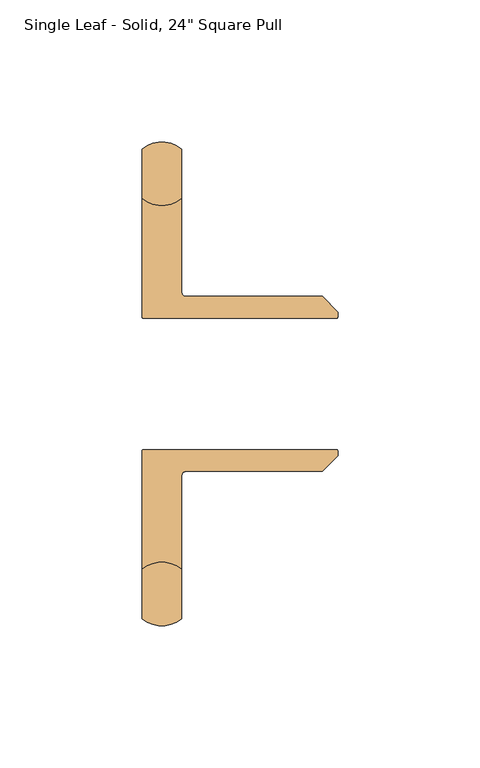
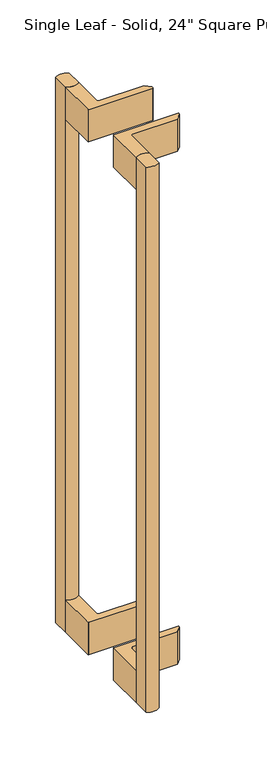
"""IFC4 building model written with IfcOpenShell, lengths in millimetres: door geometry."""

from ifc_helpers import new_model, si_unit, point, frame, frame_2d, origin, place, context, project, spatial, polyline, circle_curve, trimmed, segment, composite_curve, outline, extrude, source, transform, mapped, element, save


def door_4838d809(model_context):
    return source(origin(), model_context, "Body", "SweptSolid", [
        extrude(outline(composite_curve([segment(polyline([(-50.9125001, -81.8928536), (-50.9125001, -64.5351464)]), True, "CONTINUOUS"), segment(trimmed(circle_curve(frame_2d((-43.9125001, -73.214)), 11.15), [point((-50.9125001, -64.5351464))], [point((-36.9125001, -64.5351464))], False, "CARTESIAN"), True, "CONTINUOUS"), segment(polyline([(-36.9125001, -64.5351464), (-36.9125001, -81.8928536)]), True, "CONTINUOUS"), segment(trimmed(circle_curve(frame_2d((-43.9125001, -73.214)), 11.15), [point((-36.9125001, -81.8928536))], [point((-50.9125001, -81.8928536))], False, "CARTESIAN"), True, "CONTINUOUS")], self_intersect=False)), frame((0.0, 0.0, -108.492), z_axis=(0.0, 0.0, 1.0), x_axis=(1.0, 0.0, 0.0)), (0.0, 0.0, 1.0), 609.6),
        extrude(outline(composite_curve([segment(trimmed(circle_curve(frame_2d((-43.9125001, 74.614)), 11.15), [point((-50.9125001, 83.2928536))], [point((-36.9125001, 83.2928536))], False, "CARTESIAN"), True, "CONTINUOUS"), segment(polyline([(-36.9125001, 83.2928536), (-36.9125001, 65.9351464)]), True, "CONTINUOUS"), segment(trimmed(circle_curve(frame_2d((-43.9125001, 74.614)), 11.15), [point((-36.9125001, 65.9351464))], [point((-50.9125001, 65.9351464))], False, "CARTESIAN"), True, "CONTINUOUS"), segment(polyline([(-50.9125001, 65.9351464), (-50.9125001, 83.2928536)]), True, "CONTINUOUS")], self_intersect=False)), frame((0.0, 0.0, -108.492), z_axis=(0.0, 0.0, 1.0), x_axis=(1.0, 0.0, 0.0)), (0.0, 0.0, 1.0), 609.6),
        extrude(outline(composite_curve([segment(polyline([(-50.9125001, -64.5351464), (-50.9125001, -22.914)]), True, "CONTINUOUS"), segment(trimmed(circle_curve(frame_2d((-50.4125001, -22.914)), 0.5), [point((-50.9125001, -22.914))], [point((-50.4125001, -22.414))], False, "CARTESIAN"), True, "CONTINUOUS"), segment(polyline([(-50.4125001, -22.414), (17.5, -22.414)]), True, "CONTINUOUS"), segment(trimmed(circle_curve(frame_2d((17.5, -22.914)), 0.5), [point((17.5, -22.414))], [point((18.0, -22.914))], False, "CARTESIAN"), True, "CONTINUOUS"), segment(polyline([(18.0, -22.914), (18.0, -24.5652102), (12.5392102, -30.026), (-35.4125001, -30.026)]), True, "CONTINUOUS"), segment(trimmed(circle_curve(frame_2d((-35.4125001, -31.526)), 1.5), [point((-35.4125001, -30.026))], [point((-36.9125001, -31.526))], True, "CARTESIAN"), True, "CONTINUOUS"), segment(polyline([(-36.9125001, -31.526), (-36.9125001, -64.5351464)]), True, "CONTINUOUS"), segment(trimmed(circle_curve(frame_2d((-43.9125001, -73.214)), 11.15), [point((-36.9125001, -64.5351464))], [point((-50.9125001, -64.5351464))], True, "CARTESIAN"), True, "CONTINUOUS")], self_intersect=False)), frame((0.0, 0.0, 465.108), z_axis=(0.0, 0.0, 1.0), x_axis=(1.0, 0.0, 0.0)), (0.0, 0.0, 1.0), 36.0),
        extrude(outline(composite_curve([segment(polyline([(-50.9125001, 24.314), (-50.9125001, 65.9351464)]), True, "CONTINUOUS"), segment(trimmed(circle_curve(frame_2d((-43.9125001, 74.614)), 11.15), [point((-50.9125001, 65.9351464))], [point((-36.9125001, 65.9351464))], True, "CARTESIAN"), True, "CONTINUOUS"), segment(polyline([(-36.9125001, 65.9351464), (-36.9125001, 32.926)]), True, "CONTINUOUS"), segment(trimmed(circle_curve(frame_2d((-35.4125001, 32.926)), 1.5), [point((-36.9125001, 32.926))], [point((-35.4125001, 31.426))], True, "CARTESIAN"), True, "CONTINUOUS"), segment(polyline([(-35.4125001, 31.426), (12.5392102, 31.426), (18.0, 25.9652102), (18.0, 24.314)]), True, "CONTINUOUS"), segment(trimmed(circle_curve(frame_2d((17.5, 24.314)), 0.5), [point((18.0, 24.314))], [point((17.5, 23.814))], False, "CARTESIAN"), True, "CONTINUOUS"), segment(polyline([(17.5, 23.814), (-50.4125001, 23.814)]), True, "CONTINUOUS"), segment(trimmed(circle_curve(frame_2d((-50.4125001, 24.314)), 0.5), [point((-50.4125001, 23.814))], [point((-50.9125001, 24.314))], False, "CARTESIAN"), True, "CONTINUOUS")], self_intersect=False)), frame((0.0, 0.0, 465.108), z_axis=(0.0, 0.0, 1.0), x_axis=(1.0, 0.0, 0.0)), (0.0, 0.0, 1.0), 36.0),
        extrude(outline(composite_curve([segment(trimmed(circle_curve(frame_2d((-50.4125001, -22.914)), 0.5), [point((-50.9125001, -22.914))], [point((-50.4125001, -22.414))], False, "CARTESIAN"), True, "CONTINUOUS"), segment(polyline([(-50.4125001, -22.414), (17.5, -22.414)]), True, "CONTINUOUS"), segment(trimmed(circle_curve(frame_2d((17.5, -22.914)), 0.5), [point((17.5, -22.414))], [point((18.0, -22.914))], False, "CARTESIAN"), True, "CONTINUOUS"), segment(polyline([(18.0, -22.914), (18.0, -24.5652102), (12.5392102, -30.026), (-35.4125001, -30.026)]), True, "CONTINUOUS"), segment(trimmed(circle_curve(frame_2d((-35.4125001, -31.526)), 1.5), [point((-35.4125001, -30.026))], [point((-36.9125001, -31.526))], True, "CARTESIAN"), True, "CONTINUOUS"), segment(polyline([(-36.9125001, -31.526), (-36.9125001, -64.5351464)]), True, "CONTINUOUS"), segment(trimmed(circle_curve(frame_2d((-43.9125001, -73.214)), 11.15), [point((-36.9125001, -64.5351464))], [point((-50.9125001, -64.5351464))], True, "CARTESIAN"), True, "CONTINUOUS"), segment(polyline([(-50.9125001, -64.5351464), (-50.9125001, -22.914)]), True, "CONTINUOUS")], self_intersect=False)), frame((0.0, 0.0, -108.492), z_axis=(0.0, 0.0, 1.0), x_axis=(1.0, 0.0, 0.0)), (0.0, 0.0, 1.0), 36.0),
        extrude(outline(composite_curve([segment(polyline([(17.5, 23.814), (-50.4125001, 23.814)]), True, "CONTINUOUS"), segment(trimmed(circle_curve(frame_2d((-50.4125001, 24.314)), 0.5), [point((-50.4125001, 23.814))], [point((-50.9125001, 24.314))], False, "CARTESIAN"), True, "CONTINUOUS"), segment(polyline([(-50.9125001, 24.314), (-50.9125001, 65.9351464)]), True, "CONTINUOUS"), segment(trimmed(circle_curve(frame_2d((-43.9125001, 74.614)), 11.15), [point((-50.9125001, 65.9351464))], [point((-36.9125001, 65.9351464))], True, "CARTESIAN"), True, "CONTINUOUS"), segment(polyline([(-36.9125001, 65.9351464), (-36.9125001, 32.926)]), True, "CONTINUOUS"), segment(trimmed(circle_curve(frame_2d((-35.4125001, 32.926)), 1.5), [point((-36.9125001, 32.926))], [point((-35.4125001, 31.426))], True, "CARTESIAN"), True, "CONTINUOUS"), segment(polyline([(-35.4125001, 31.426), (12.5392102, 31.426), (18.0, 25.9652102), (18.0, 24.314)]), True, "CONTINUOUS"), segment(trimmed(circle_curve(frame_2d((17.5, 24.314)), 0.5), [point((18.0, 24.314))], [point((17.5, 23.814))], False, "CARTESIAN"), True, "CONTINUOUS")], self_intersect=False)), frame((0.0, 0.0, -108.492), z_axis=(0.0, 0.0, 1.0), x_axis=(1.0, 0.0, 0.0)), (0.0, 0.0, 1.0), 36.0),
    ])


if __name__ == "__main__":
    model = new_model("IFC4")
    model_context = context("Model", 3, world=origin())
    ifc_project = project(units=[si_unit("LENGTHUNIT", "METRE", prefix="MILLI")], contexts=[model_context])
    site = spatial("IfcSite", under=ifc_project)
    building = spatial("IfcBuilding", under=site)
    placement = place(None, origin())
    door_shape = door_4838d809(model_context)
    element("IfcDoor", 1, ObjectType="Single Leaf - Solid, 24\" Square Pull", at=placement, inside=building, context=model_context, shape_type="MappedRepresentation", body=[
        mapped(door_shape, transform((0.0, 0.0, 0.0), x_axis=(1.0, 0.0, 0.0), y_axis=(0.0, 1.0, 0.0), z_axis=(0.0, 0.0, 1.0))),
    ])
    save(model, "model.ifc")
